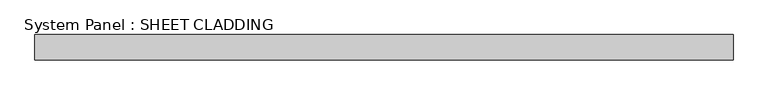
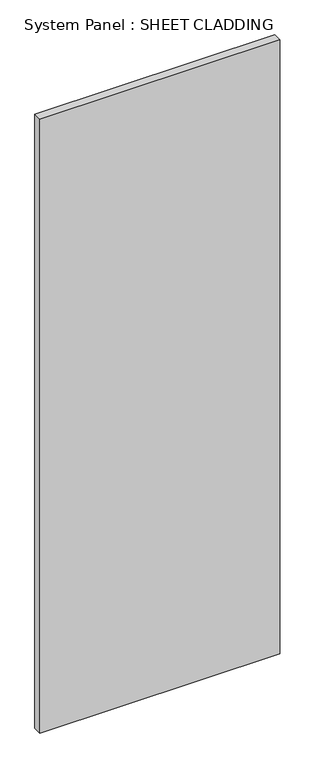
"""IFC4 building model written with IfcOpenShell, lengths in millimetres: plate geometry, System Panel : SHEET CLADDING."""

from ifc_helpers import new_model, si_unit, origin, origin_with_axes, place, context, project, spatial, polyline, outline, extrude, source, transform, mapped, element, save


def system_panel_sheet_cladding_94c9def9(model_context):
    return source(origin(), model_context, "Body", "SweptSolid", [
        extrude(outline(polyline([(831.1220206, -10.5), (-831.1220206, -10.5), (-831.1220206, 49.5), (831.1220206, 49.5), (831.1220206, -10.5)])), origin_with_axes(), (0.0, 0.0, 1.0), 4500.0),
    ])


if __name__ == "__main__":
    model = new_model("IFC4")
    model_context = context("Model", 3, world=origin())
    ifc_project = project(units=[si_unit("LENGTHUNIT", "METRE", prefix="MILLI")], contexts=[model_context])
    site = spatial("IfcSite", under=ifc_project)
    building = spatial("IfcBuilding", under=site)
    placement = place(None, origin())
    system_panel_sheet_cladding_shape = system_panel_sheet_cladding_94c9def9(model_context)
    element("IfcPlate", 1, ObjectType="System Panel : SHEET CLADDING", at=placement, inside=building, context=model_context, shape_type="MappedRepresentation", body=[
        mapped(system_panel_sheet_cladding_shape, transform((0.0, 0.0, 0.0), x_axis=(1.0, 0.0, 0.0), y_axis=(0.0, 1.0, 0.0), z_axis=(0.0, 0.0, 1.0))),
    ])
    save(model, "model.ifc")
